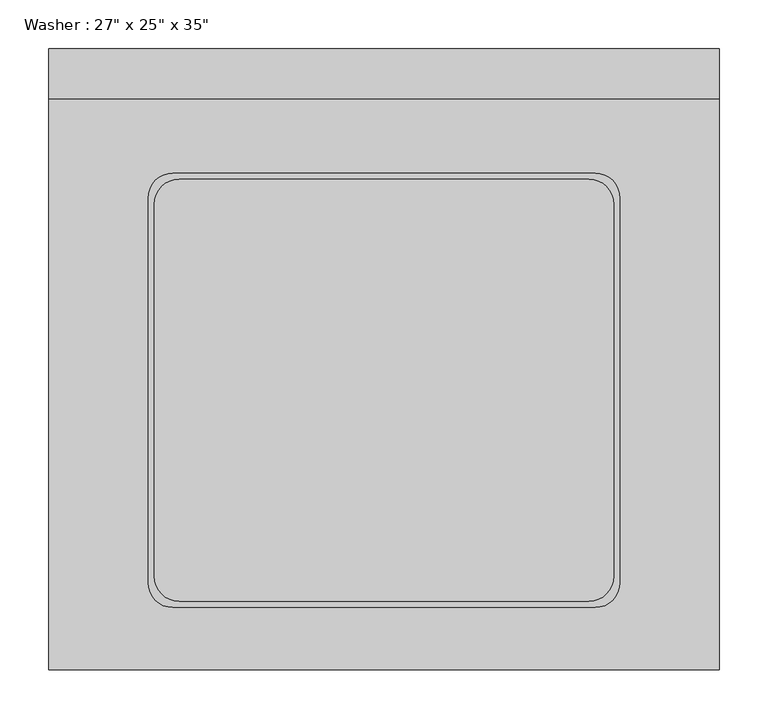
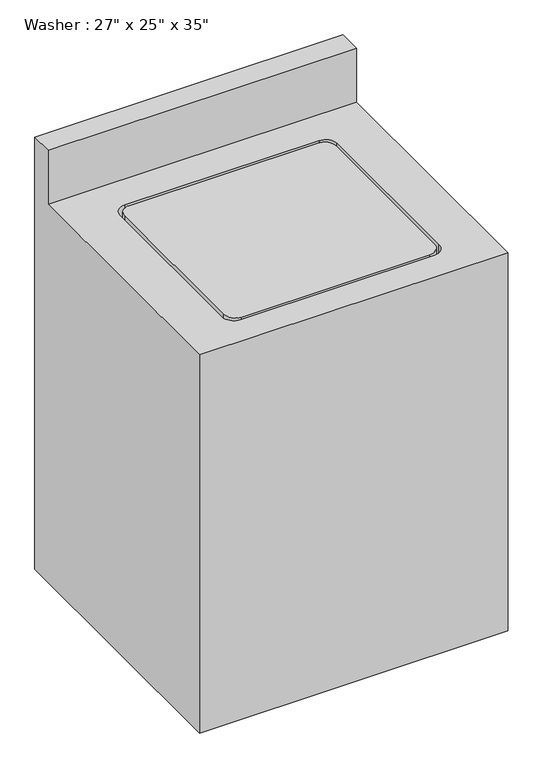
"""IFC4 building model written with IfcOpenShell, lengths in millimetres: proxy geometry."""

from ifc_helpers import new_model, si_unit, point, frame, frame_2d, origin, place, context, project, spatial, polyline, circle_curve, trimmed, segment, composite_curve, outline, extrude, source, transform, mapped, element, save
from ifc_brep_helpers import plane_surface, revolved_surface, advanced_brep


def proxy_e75280ca(model_context):
    return source(origin(), model_context, "Body", "SolidModel", [
        advanced_brep(
        [(77.5174685, 545.8495648, 889.0), (77.5174685, 545.8495648, 1016.0), (77.5174685, 596.6495648, 1016.0), (77.5174685, 596.6495648, 0.0), (77.5174685, -38.3504352, 0.0), (77.5174685, -38.3504352, 889.0), (763.3174685, 596.6495648, 1016.0), (763.3174685, 545.8495648, 1016.0), (763.3174685, 545.8495648, 889.0), (763.3174685, -38.3504352, 889.0), (763.3174685, -38.3504352, 0.0), (763.3174685, 596.6495648, 0.0), (204.5174685, 469.4681955, 889.0), (636.3174685, 469.4681955, 889.0), (661.7174685, 444.0681955, 889.0), (661.7174685, 50.5495648, 889.0), (636.3174685, 25.1495648, 889.0), (204.5174685, 25.1495648, 889.0), (179.1174685, 50.5495648, 889.0), (179.1174685, 444.0681955, 889.0), (636.3174685, 469.4681955, 838.2), (204.5174685, 469.4681955, 838.2), (179.1174685, 444.0681955, 838.2), (179.1174685, 50.5495648, 838.2), (204.5174685, 25.1495648, 838.2), (636.3174685, 25.1495648, 838.2), (661.7174685, 50.5495648, 838.2), (661.7174685, 444.0681955, 838.2)],
        [
            (0, 1),
            (1, 2),
            (2, 3),
            (3, 4),
            (4, 5),
            (5, 0),
            (6, 7),
            (7, 8),
            (8, 9),
            (9, 10),
            (10, 11),
            (11, 6),
            (0, 8),
            (7, 1),
            (6, 2),
            (11, 3),
            (5, 9),
            (12, 13),
            (13, 14, circle_curve(frame((636.3174685, 444.0681955, 889.0), z_axis=(0.0, 0.0, -1.0), x_axis=(0.0, -1.0, 0.0)), 25.4)),
            (14, 15),
            (15, 16, circle_curve(frame((636.3174685, 50.5495648, 889.0), z_axis=(0.0, 0.0, -1.0), x_axis=(0.0, -1.0, 0.0)), 25.4)),
            (16, 17),
            (17, 18, circle_curve(frame((204.5174685, 50.5495648, 889.0), z_axis=(0.0, 0.0, -1.0), x_axis=(0.0, -1.0, 0.0)), 25.4)),
            (18, 19),
            (19, 12, circle_curve(frame((204.5174685, 444.0681955, 889.0), z_axis=(0.0, 0.0, -1.0), x_axis=(0.0, -1.0, 0.0)), 25.4)),
            (10, 4),
            (20, 21),
            (21, 22, circle_curve(frame((204.5174685, 444.0681955, 838.2), z_axis=(0.0, 0.0, 1.0), x_axis=(0.0, -1.0, 0.0)), 25.4)),
            (22, 23),
            (23, 24, circle_curve(frame((204.5174685, 50.5495648, 838.2), z_axis=(0.0, 0.0, 1.0), x_axis=(0.0, -1.0, 0.0)), 25.4)),
            (24, 25),
            (25, 26, circle_curve(frame((636.3174685, 50.5495648, 838.2), z_axis=(0.0, 0.0, 1.0), x_axis=(0.0, -1.0, 0.0)), 25.4)),
            (26, 27),
            (27, 20, circle_curve(frame((636.3174685, 444.0681955, 838.2), z_axis=(0.0, 0.0, 1.0), x_axis=(0.0, -1.0, 0.0)), 25.4)),
            (20, 13),
            (12, 21),
            (19, 22),
            (18, 23),
            (17, 24),
            (16, 25),
            (15, 26),
            (14, 27),
        ],
        [
            plane_surface(frame((77.5174685, 545.8495648, 889.0), z_axis=(-1.0, 0.0, 0.0), x_axis=(0.0, 0.0, 1.0))),
            plane_surface(frame((763.3174685, 545.8495648, 889.0), z_axis=(1.0, 0.0, 0.0), x_axis=(0.0, 0.0, -1.0))),
            plane_surface(frame((77.5174685, 545.8495648, 889.0), z_axis=(0.0, -1.0, 0.0), x_axis=(1.0, 0.0, 0.0))),
            plane_surface(frame((77.5174685, 545.8495648, 1016.0), z_axis=(0.0, 0.0, 1.0), x_axis=(1.0, 0.0, 0.0))),
            plane_surface(frame((77.5174685, 596.6495648, 1016.0), z_axis=(0.0, 1.0, 0.0), x_axis=(1.0, 0.0, 0.0))),
            plane_surface(frame((77.5174685, -38.3504352, 889.0), z_axis=(0.0, 0.0, 1.0), x_axis=(0.0, -1.0, 0.0))),
            plane_surface(frame((77.5174685, -38.3504352, 0.0), z_axis=(0.0, 0.0, -1.0), x_axis=(0.0, 1.0, 0.0))),
            plane_surface(frame((77.5174685, -38.3504352, 889.0), z_axis=(0.0, -1.0, 0.0), x_axis=(0.0, 0.0, -1.0))),
            plane_surface(frame((204.5174685, 469.4681955, 838.2), z_axis=(0.0, 0.0, 1.0), x_axis=(1.0, 0.0, 0.0))),
            plane_surface(frame((636.3174685, 469.4681955, 889.0), z_axis=(0.0, -1.0, 0.0), x_axis=(0.0, 0.0, -1.0))),
            revolved_surface(polyline([(204.5174685, 418.6681955, 889.0), (204.5174685, 418.6681955, 838.2)]), (204.5174685, 444.0681955, 838.2), (0.0, 0.0, 1.0)),
            plane_surface(frame((179.1174685, 444.0681955, 889.0), z_axis=(1.0, 0.0, 0.0), x_axis=(0.0, 0.0, -1.0))),
            revolved_surface(polyline([(204.5174685, 25.1495648, 889.0), (204.5174685, 25.1495648, 838.2)]), (204.5174685, 50.5495648, 838.2), (0.0, 0.0, 1.0)),
            plane_surface(frame((204.5174685, 25.1495648, 889.0), z_axis=(0.0, 1.0, 0.0), x_axis=(0.0, 0.0, -1.0))),
            revolved_surface(polyline([(636.3174685, 25.1495648, 889.0), (636.3174685, 25.1495648, 838.2)]), (636.3174685, 50.5495648, 838.2), (0.0, 0.0, 1.0)),
            plane_surface(frame((661.7174685, 50.5495648, 889.0), z_axis=(-1.0, 0.0, 0.0), x_axis=(0.0, 0.0, -1.0))),
            revolved_surface(polyline([(636.3174685, 418.6681955, 889.0), (636.3174685, 418.6681955, 838.2)]), (636.3174685, 444.0681955, 838.2), (0.0, 0.0, 1.0)),
        ],
        [
            (0, [[1, 2, 3, 4, 5, 6]]),
            (1, [[7, 8, 9, 10, 11, 12]]),
            (2, [[-1, 13, -8, 14]]),
            (3, [[-2, -14, -7, 15]]),
            (4, [[-15, -12, 16, -3]]),
            (5, [[17, -9, -13, -6], [18, 19, 20, 21, 22, 23, 24, 25]]),
            (6, [[-16, -11, 26, -4]]),
            (7, [[-17, -5, -26, -10]]),
            (8, [[27, 28, 29, 30, 31, 32, 33, 34]]),
            (9, [[-27, 35, -18, 36]]),
            (10, [[-28, -36, -25, 37]]),
            (11, [[-29, -37, -24, 38]]),
            (12, [[-30, -38, -23, 39]]),
            (13, [[-31, -39, -22, 40]]),
            (14, [[-32, -40, -21, 41]]),
            (15, [[-33, -41, -20, 42]]),
            (16, [[-34, -42, -19, -35]]),
        ],
    ),
        extrude(outline(composite_curve([segment(trimmed(circle_curve(frame_2d((210.8674685, 437.8995648)), 25.4), [point((185.4674685, 437.8995648))], [point((210.8674685, 463.2995648))], False, "CARTESIAN"), True, "CONTINUOUS"), segment(polyline([(210.8674685, 463.2995648), (629.9674685, 463.2995648)]), True, "CONTINUOUS"), segment(trimmed(circle_curve(frame_2d((629.9674685, 437.8995648)), 25.4), [point((629.9674685, 463.2995648))], [point((655.3674685, 437.8995648))], False, "CARTESIAN"), True, "CONTINUOUS"), segment(polyline([(655.3674685, 437.8995648), (655.3674685, 56.8995648)]), True, "CONTINUOUS"), segment(trimmed(circle_curve(frame_2d((629.9674685, 56.8995648)), 25.4), [point((655.3674685, 56.8995648))], [point((629.9674685, 31.4995648))], False, "CARTESIAN"), True, "CONTINUOUS"), segment(polyline([(629.9674685, 31.4995648), (210.8674685, 31.4995648)]), True, "CONTINUOUS"), segment(trimmed(circle_curve(frame_2d((210.8674685, 56.8995648)), 25.4), [point((210.8674685, 31.4995648))], [point((185.4674685, 56.8995648))], False, "CARTESIAN"), True, "CONTINUOUS"), segment(polyline([(185.4674685, 56.8995648), (185.4674685, 437.8995648)]), True, "CONTINUOUS")], self_intersect=False)), frame((0.0, 0.0, 863.6), z_axis=(0.0, 0.0, 1.0), x_axis=(1.0, 0.0, 0.0)), (0.0, 0.0, 1.0), 25.4),
    ])


if __name__ == "__main__":
    model = new_model("IFC4")
    model_context = context("Model", 3, world=origin())
    ifc_project = project(units=[si_unit("LENGTHUNIT", "METRE", prefix="MILLI")], contexts=[model_context])
    site = spatial("IfcSite", under=ifc_project)
    building = spatial("IfcBuilding", under=site)
    placement = place(None, origin())
    proxy_shape = proxy_e75280ca(model_context)
    element("IfcBuildingElementProxy", 1, Name="Washer : 27\" x 25\" x 35\"", ObjectType="Washer : 27\" x 25\" x 35\"", at=placement, inside=building, context=model_context, shape_type="MappedRepresentation", body=[
        mapped(proxy_shape, transform((0.0, 0.0, 0.0), x_axis=(1.0, 0.0, 0.0), y_axis=(0.0, 1.0, 0.0), z_axis=(0.0, 0.0, 1.0))),
    ])
    save(model, "model.ifc")
